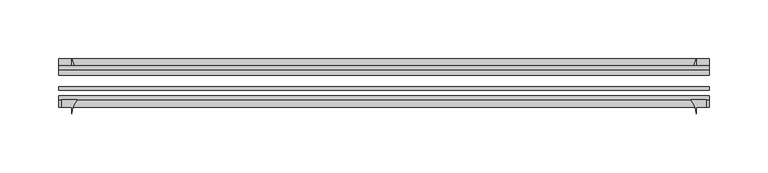
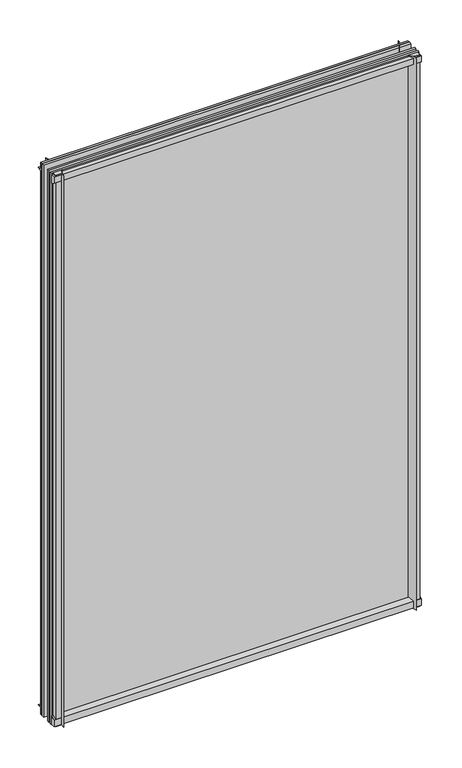
"""IFC4 building model written with IfcOpenShell, lengths in millimetres: plate geometry."""

from ifc_helpers import new_model, si_unit, point, frame, frame_2d, origin, place, context, project, spatial, polyline, circle_curve, trimmed, segment, composite_curve, outline, extrude, source, transform, mapped, element, save


def plate_a8538c98(model_context):
    return source(origin(), model_context, "Body", "SweptSolid", [
        extrude(outline(composite_curve([segment(polyline([(-42.891075, -11.1125), (-42.891075, 3.8539528)]), True, "CONTINUOUS"), segment(trimmed(circle_curve(frame_2d((-26.637892, 29.5913262)), 30.4397495), [point((-42.891075, 3.8539528))], [point((-33.7745413, 0.0))], True, "CARTESIAN"), True, "CONTINUOUS"), segment(polyline([(-33.7745413, 0.0), (-39.690675, 0.0), (-39.690675, -11.1125), (-42.891075, -11.1125)]), True, "CONTINUOUS")], self_intersect=False)), frame((-303.165813, 0.0, 0.0), z_axis=(1.0, 0.0, 0.0), x_axis=(0.0, 1.0, 0.0)), (0.0, 0.0, 1.0), 552.3566259),
        extrude(outline(composite_curve([segment(trimmed(circle_curve(frame_2d((-80.4922797, 17.8701603)), 18.6769817), [point((-74.641075, 0.1333891))], [point((-68.291075, 3.72943))], True, "CARTESIAN"), True, "CONTINUOUS"), segment(polyline([(-68.291075, 3.72943), (-68.291075, -10.3251), (-74.641075, -10.3251), (-74.641075, 0.1333891)]), True, "CONTINUOUS")], self_intersect=False)), frame((-303.165813, 0.0, 0.0), z_axis=(1.0, 0.0, 0.0), x_axis=(0.0, 1.0, 0.0)), (0.0, 0.0, 1.0), 552.3566259),
        extrude(outline(composite_curve([segment(polyline([(-42.891075, 850.2083472), (-42.891075, 865.1875), (-39.690675, 865.1875), (-39.690675, 854.075), (-33.721675, 854.075)]), True, "CONTINUOUS"), segment(trimmed(circle_curve(frame_2d((-26.637892, 824.4709738)), 30.4397495), [point((-33.721675, 854.075))], [point((-42.891075, 850.2083472))], True, "CARTESIAN"), True, "CONTINUOUS")], self_intersect=False)), frame((-303.165813, 0.0, 0.0), z_axis=(1.0, 0.0, 0.0), x_axis=(0.0, 1.0, 0.0)), (0.0, 0.0, 1.0), 552.3566259),
        extrude(outline(composite_curve([segment(polyline([(-68.291075, 862.8126), (-68.291075, 849.53912)]), True, "CONTINUOUS"), segment(trimmed(circle_curve(frame_2d((-80.4922797, 835.3983897)), 18.6769817), [point((-68.291075, 849.53912))], [point((-74.641075, 853.1351609))], True, "CARTESIAN"), True, "CONTINUOUS"), segment(polyline([(-74.641075, 853.1351609), (-74.641075, 862.8126), (-68.291075, 862.8126)]), True, "CONTINUOUS")], self_intersect=False)), frame((-303.165813, 0.0, 0.0), z_axis=(1.0, 0.0, 0.0), x_axis=(0.0, 1.0, 0.0)), (0.0, 0.0, 1.0), 552.3566259),
        extrude(outline(composite_curve([segment(polyline([(233.5424329, -68.291075), (246.815913, -68.291075), (246.815913, -74.641075), (238.078313, -74.641075), (238.078313, -80.3744844)]), True, "CONTINUOUS"), segment(trimmed(circle_curve(frame_2d((219.4017027, -80.4922797)), 18.6769817), [point((238.078313, -80.3744844))], [point((233.5424329, -68.291075))], True, "CARTESIAN"), True, "CONTINUOUS")], self_intersect=False)), frame((0.0, 0.0, -11.1125), z_axis=(0.0, 0.0, 1.0), x_axis=(1.0, 0.0, 0.0)), (0.0, 0.0, 1.0), 876.3),
        extrude(outline(composite_curve([segment(trimmed(circle_curve(frame_2d((208.4742867, -26.637892)), 30.4397495), [point((234.2116602, -42.891075))], [point((238.078313, -33.721675))], True, "CARTESIAN"), True, "CONTINUOUS"), segment(polyline([(238.078313, -33.721675), (238.078313, -39.690675), (249.190813, -39.690675), (249.190813, -42.891075), (234.2116602, -42.891075)]), True, "CONTINUOUS")], self_intersect=False)), frame((0.0, 0.0, -11.1125), z_axis=(0.0, 0.0, 1.0), x_axis=(1.0, 0.0, 0.0)), (0.0, 0.0, 1.0), 876.3),
        extrude(outline(composite_curve([segment(trimmed(circle_curve(frame_2d((-273.3767027, -80.4922797)), 18.6769817), [point((-287.5174329, -68.291075))], [point((-292.053313, -80.3744844))], True, "CARTESIAN"), True, "CONTINUOUS"), segment(polyline([(-292.053313, -80.3744844), (-292.053313, -74.641075), (-300.790913, -74.641075), (-300.790913, -68.291075), (-287.5174329, -68.291075)]), True, "CONTINUOUS")], self_intersect=False)), frame((0.0, 0.0, -11.1125), z_axis=(0.0, 0.0, 1.0), x_axis=(1.0, 0.0, 0.0)), (0.0, 0.0, 1.0), 876.3),
        extrude(outline(composite_curve([segment(polyline([(-288.1866602, -42.891075), (-303.165813, -42.891075), (-303.165813, -39.690675), (-292.053313, -39.690675), (-292.053313, -33.721675)]), True, "CONTINUOUS"), segment(trimmed(circle_curve(frame_2d((-262.4492867, -26.637892)), 30.4397495), [point((-292.053313, -33.721675))], [point((-288.1866602, -42.891075))], True, "CARTESIAN"), True, "CONTINUOUS")], self_intersect=False)), frame((0.0, 0.0, -11.1125), z_axis=(0.0, 0.0, 1.0), x_axis=(1.0, 0.0, 0.0)), (0.0, 0.0, 1.0), 876.3),
        extrude(outline(polyline([(-303.165813, -42.891075), (249.190813, -42.891075), (249.190813, -47.653575), (-303.165813, -47.653575), (-303.165813, -42.891075)])), frame((0.0, 0.0, -11.1125), z_axis=(0.0, 0.0, 1.0), x_axis=(1.0, 0.0, 0.0)), (0.0, 0.0, 1.0), 876.3),
        extrude(outline(polyline([(249.190813, -57.369075), (249.190813, -60.544075), (-303.165813, -60.544075), (-303.165813, -57.369075), (249.190813, -57.369075)])), frame((0.0, 0.0, -11.1125), z_axis=(0.0, 0.0, 1.0), x_axis=(1.0, 0.0, 0.0)), (0.0, 0.0, 1.0), 876.3),
        extrude(outline(polyline([(-303.165813, -65.116075), (249.190813, -65.116075), (249.190813, -68.291075), (-303.165813, -68.291075), (-303.165813, -65.116075)])), frame((0.0, 0.0, -11.1125), z_axis=(0.0, 0.0, 1.0), x_axis=(1.0, 0.0, 0.0)), (0.0, 0.0, 1.0), 876.3),
    ])


if __name__ == "__main__":
    model = new_model("IFC4")
    model_context = context("Model", 3, world=origin())
    ifc_project = project(units=[si_unit("LENGTHUNIT", "METRE", prefix="MILLI")], contexts=[model_context])
    site = spatial("IfcSite", under=ifc_project)
    building = spatial("IfcBuilding", under=site)
    placement = place(None, origin())
    plate_shape = plate_a8538c98(model_context)
    element("IfcPlate", 1, at=placement, inside=building, context=model_context, shape_type="MappedRepresentation", body=[
        mapped(plate_shape, transform((0.0, 0.0, 0.0), x_axis=(1.0, 0.0, 0.0), y_axis=(0.0, 1.0, 0.0), z_axis=(0.0, 0.0, 1.0))),
    ])
    save(model, "model.ifc")
